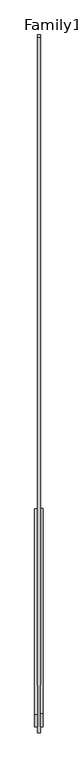
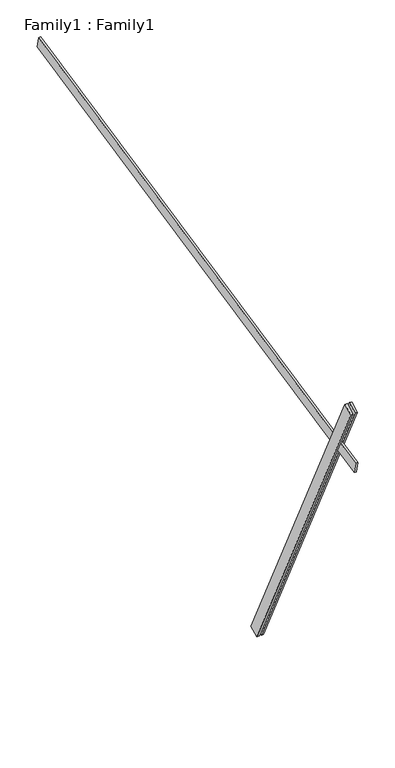
"""IFC4 building model written with IfcOpenShell, lengths in millimetres: proxy geometry, Family1 : Family1."""

from ifc_helpers import new_model, si_unit, frame, origin, place, context, project, spatial, polyline, outline, extrude, source, transform, mapped, element, save


def family1_family1_ba8aa84c(model_context):
    return source(origin(), model_context, "Body", "SweptSolid", [
        extrude(outline(polyline([(0.0, 0.0), (-100.0000001, 0.0), (-100.0000001, 20.0), (0.0, 20.0), (0.0, 0.0)])), frame((-30.0, -46.3241747, -22.5938096), z_axis=(0.0, -0.4383711467890692, 0.8987940462991711), x_axis=(0.0, -0.8987940462991711, -0.4383711467890692)), (0.0, 0.0, 1.0), 3300.0),
        extrude(outline(polyline([(0.0, 0.0), (-99.9999999, 0.0), (-99.9999999, 20.0), (0.0, 20.0), (0.0, 0.0)])), frame((10.0, -45.270232, -22.0797674), z_axis=(0.0, -0.4383711467890692, 0.8987940462991711), x_axis=(0.0, -0.8987940462991711, -0.4383711467890692)), (0.0, 0.0, 1.0), 3300.0),
        extrude(outline(polyline([(0.0, 20.0), (5000.0, 20.0), (5000.0, 0.0), (0.0, 0.0), (0.0, 20.0)])), frame((-10.0, 3378.5505208, 3444.5396404), z_axis=(0.0, -0.2079116908177618, 0.9781476007338052), x_axis=(0.0, -0.9781476007338052, -0.2079116908177618)), (0.0, 0.0, 1.0), 100.0),
    ])


if __name__ == "__main__":
    model = new_model("IFC4")
    model_context = context("Model", 3, world=origin())
    ifc_project = project(units=[si_unit("LENGTHUNIT", "METRE", prefix="MILLI")], contexts=[model_context])
    site = spatial("IfcSite", under=ifc_project)
    building = spatial("IfcBuilding", under=site)
    placement = place(None, origin())
    family1_family1_shape = family1_family1_ba8aa84c(model_context)
    element("IfcBuildingElementProxy", 1, Name="Family1 : Family1", ObjectType="Family1 : Family1", at=placement, inside=building, context=model_context, shape_type="MappedRepresentation", body=[
        mapped(family1_family1_shape, transform((0.0, 0.0, 0.0), x_axis=(1.0, 0.0, 0.0), y_axis=(0.0, 1.0, 0.0), z_axis=(0.0, 0.0, 1.0))),
    ])
    save(model, "model.ifc")
